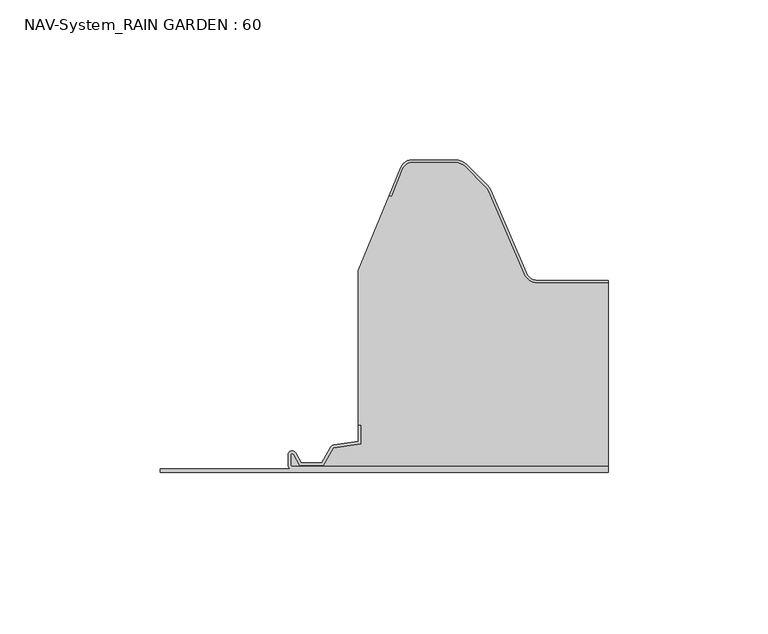
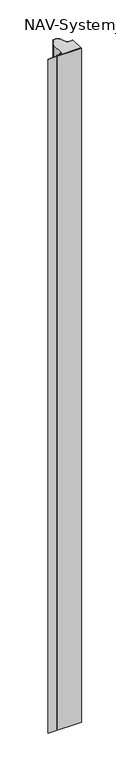
"""IFC4 building model written with IfcOpenShell, lengths in millimetres: plate geometry, NAV-System_RAIN GARDEN : 60."""

from ifc_helpers import new_model, si_unit, point, frame, frame_2d, origin, origin_with_axes, place, context, project, spatial, polyline, circle_curve, trimmed, segment, composite_curve, outline, extrude, source, transform, mapped, element, save


def nav_system_rain_garden_60_f3bc2d58(model_context):
    return source(origin(), model_context, "Body", "SweptSolid", [
        extrude(outline(composite_curve([segment(polyline([(0.0, -90.0), (0.0, 50.0), (1.8, 50.0), (1.8, -48.7)]), True, "CONTINUOUS"), segment(trimmed(circle_curve(frame_2d((2.3, -48.7)), 0.5), [point((1.8, -48.7))], [point((2.3, -49.2))], True, "CARTESIAN"), True, "CONTINUOUS"), segment(polyline([(2.3, -49.2), (5.3700191, -49.2)]), True, "CONTINUOUS"), segment(trimmed(circle_curve(frame_2d((5.3700191, -48.7)), 0.5), [point((5.3700191, -49.2))], [point((5.6200191, -48.2669873))], True, "CARTESIAN"), True, "CONTINUOUS"), segment(polyline([(5.6200191, -48.2669873), (2.2, -46.2924383), (2.2, -38.9841833), (7.6866602, -35.8164586), (8.898332, -27.2), (14.6767555, -27.2), (14.6767555, -28.0), (9.5937048, -28.0), (8.5128213, -35.6863953)]), True, "CONTINUOUS"), segment(trimmed(circle_curve(frame_2d((7.2254873, -35.5053666)), 1.3), [point((8.5128213, -35.6863953))], [point((7.8754873, -36.6311996))], False, "CARTESIAN"), True, "CONTINUOUS"), segment(polyline([(7.8754873, -36.6311996), (3.0, -39.4460636), (3.0, -45.8305581), (6.0200191, -47.574167)]), True, "CONTINUOUS"), segment(trimmed(circle_curve(frame_2d((5.3700191, -48.7)), 1.3), [point((6.0200191, -47.574167))], [point((5.3700191, -50.0))], False, "CARTESIAN"), True, "CONTINUOUS"), segment(polyline([(5.3700191, -50.0), (2.3, -50.0)]), True, "CONTINUOUS"), segment(trimmed(circle_curve(frame_2d((2.3, -48.7)), 1.3), [point((2.3, -50.0))], [point((1.0, -48.7))], False, "CARTESIAN"), True, "CONTINUOUS"), segment(polyline([(1.0, -48.7), (1.0, -90.0), (0.0, -90.0)]), True, "CONTINUOUS")], self_intersect=False)), frame((0.0, 0.0, 3000.0), z_axis=(0.0, 0.0, -1.0), x_axis=(0.0, 1.0, 0.0)), (0.0, 0.0, 1.0), 3000.0),
        extrude(outline(composite_curve([segment(polyline([(28.0709249, 59.2), (50.0, 59.2), (50.0, 1.8), (-48.7, 1.8)]), True, "CONTINUOUS"), segment(trimmed(circle_curve(frame_2d((-48.7, 2.3)), 0.5), [point((-48.7, 1.8))], [point((-49.2, 2.3))], False, "CARTESIAN"), True, "CONTINUOUS"), segment(polyline([(-49.2, 2.3), (-49.2, 5.3700191)]), True, "CONTINUOUS"), segment(trimmed(circle_curve(frame_2d((-48.7, 5.3700191)), 0.5), [point((-49.2, 5.3700191))], [point((-48.2669873, 5.6200191))], False, "CARTESIAN"), True, "CONTINUOUS"), segment(polyline([(-48.2669873, 5.6200191), (-46.2924383, 2.2), (-38.9841833, 2.2), (-35.8164586, 7.6866602), (-27.2, 8.898332), (-27.2, 14.6767555), (-28.0, 14.6767555), (-28.0, 63.053822), (-18.3696578, 86.593514), (-17.6292254, 86.2905951), (-14.1022482, 94.9116756)]), True, "CONTINUOUS"), segment(trimmed(circle_curve(frame_2d((-11.1405186, 93.7)), 3.2), [point((-14.1022482, 94.9116756))], [point((-11.1405186, 96.9))], False, "CARTESIAN"), True, "CONTINUOUS"), segment(polyline([(-11.1405186, 96.9), (2.2655335, 96.9)]), True, "CONTINUOUS"), segment(trimmed(circle_curve(frame_2d((2.2655335, 92.7)), 4.2), [point((2.2655335, 96.9))], [point((5.235382, 95.6698485))], False, "CARTESIAN"), True, "CONTINUOUS"), segment(polyline([(5.235382, 95.6698485), (11.6863603, 89.2188701)]), True, "CONTINUOUS"), segment(trimmed(circle_curve(frame_2d((8.7165118, 86.2490217)), 4.2), [point((11.6863603, 89.2188701))], [point((12.5754349, 87.9069459))], False, "CARTESIAN"), True, "CONTINUOUS"), segment(polyline([(12.5754349, 87.9069459), (23.6607271, 62.1052295)]), True, "CONTINUOUS"), segment(trimmed(circle_curve(frame_2d((28.0709249, 64.0)), 4.8), [point((23.6607271, 62.1052295))], [point((28.0709249, 59.2))], True, "CARTESIAN"), True, "CONTINUOUS")], self_intersect=False)), origin_with_axes(), (0.0, 0.0, 1.0), 3000.0),
        extrude(outline(composite_curve([segment(trimmed(circle_curve(frame_2d((-11.1408608, 93.7)), 4.0), [point((-14.8430228, 95.2145945))], [point((-11.1408608, 97.7))], False, "CARTESIAN"), True, "CONTINUOUS"), segment(polyline([(-11.1408608, 97.7), (2.2651913, 97.7)]), True, "CONTINUOUS"), segment(trimmed(circle_curve(frame_2d((2.2651913, 92.7)), 5.0), [point((2.2651913, 97.7))], [point((5.8007252, 96.2355339))], False, "CARTESIAN"), True, "CONTINUOUS"), segment(polyline([(5.8007252, 96.2355339), (12.2517035, 89.7845556)]), True, "CONTINUOUS"), segment(trimmed(circle_curve(frame_2d((8.7161696, 86.2490217)), 5.0), [point((12.2517035, 89.7845556))], [point((13.3101256, 88.2227409))], False, "CARTESIAN"), True, "CONTINUOUS"), segment(polyline([(13.3101256, 88.2227409), (24.3954178, 62.4210246)]), True, "CONTINUOUS"), segment(trimmed(circle_curve(frame_2d((28.0705827, 64.0)), 4.0), [point((24.3954178, 62.4210246))], [point((28.0705827, 60.0))], True, "CARTESIAN"), True, "CONTINUOUS"), segment(polyline([(28.0705827, 60.0), (50.0, 60.0), (50.0, 59.2), (28.0705827, 59.2)]), True, "CONTINUOUS"), segment(trimmed(circle_curve(frame_2d((28.0705827, 64.0)), 4.8), [point((28.0705827, 59.2))], [point((23.6603849, 62.1052295))], False, "CARTESIAN"), True, "CONTINUOUS"), segment(polyline([(23.6603849, 62.1052295), (12.5750927, 87.9069459)]), True, "CONTINUOUS"), segment(trimmed(circle_curve(frame_2d((8.7161696, 86.2490217)), 4.2), [point((12.5750927, 87.9069459))], [point((11.6860181, 89.2188701))], True, "CARTESIAN"), True, "CONTINUOUS"), segment(polyline([(11.6860181, 89.2188701), (5.2350397, 95.6698485)]), True, "CONTINUOUS"), segment(trimmed(circle_curve(frame_2d((2.2651913, 92.7)), 4.2), [point((5.2350397, 95.6698485))], [point((2.2651913, 96.9))], True, "CARTESIAN"), True, "CONTINUOUS"), segment(polyline([(2.2651913, 96.9), (-11.1408608, 96.9)]), True, "CONTINUOUS"), segment(trimmed(circle_curve(frame_2d((-11.1408608, 93.7)), 3.2), [point((-11.1408608, 96.9))], [point((-14.1025904, 94.9116756))], True, "CARTESIAN"), True, "CONTINUOUS"), segment(polyline([(-14.1025904, 94.9116756), (-17.6295676, 86.2905951), (-18.37, 86.593514), (-14.8430228, 95.2145945)]), True, "CONTINUOUS")], self_intersect=False)), origin_with_axes(), (0.0, 0.0, 1.0), 3000.0),
    ])


if __name__ == "__main__":
    model = new_model("IFC4")
    model_context = context("Model", 3, world=origin())
    ifc_project = project(units=[si_unit("LENGTHUNIT", "METRE", prefix="MILLI")], contexts=[model_context])
    site = spatial("IfcSite", under=ifc_project)
    building = spatial("IfcBuilding", under=site)
    placement = place(None, origin())
    nav_system_rain_garden_60_shape = nav_system_rain_garden_60_f3bc2d58(model_context)
    element("IfcPlate", 1, ObjectType="NAV-System_RAIN GARDEN : 60", at=placement, inside=building, context=model_context, shape_type="MappedRepresentation", body=[
        mapped(nav_system_rain_garden_60_shape, transform((0.0, 0.0, 0.0), x_axis=(1.0, 0.0, 0.0), y_axis=(0.0, 1.0, 0.0), z_axis=(0.0, 0.0, 1.0))),
    ])
    save(model, "model.ifc")
